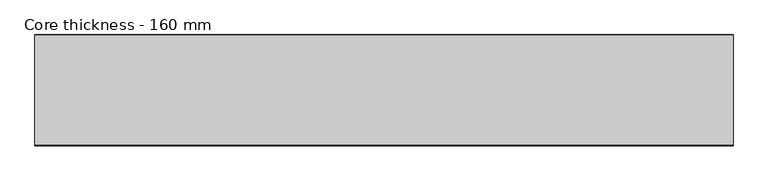
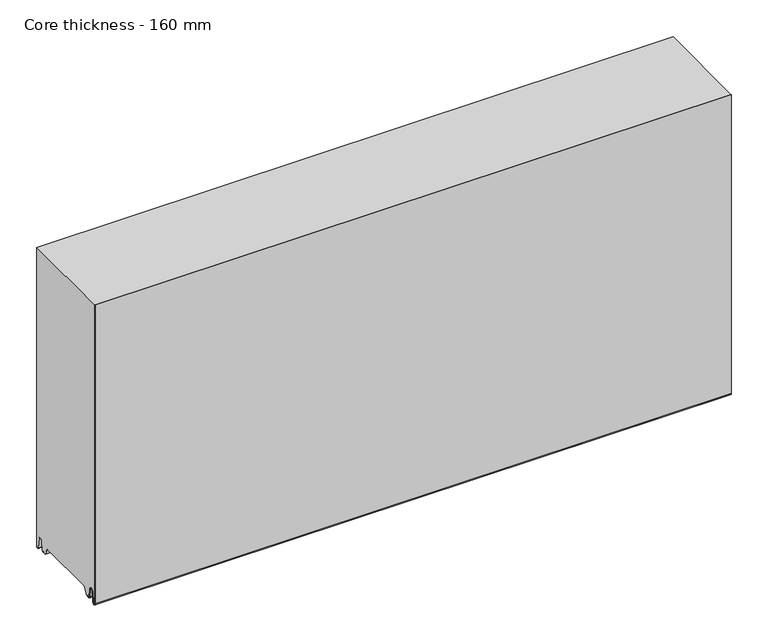
"""IFC4 building model written with IfcOpenShell, lengths in millimetres: plate geometry, Core thickness - 160 mm."""

from ifc_helpers import new_model, si_unit, frame, origin, place, context, project, spatial, polyline, circle_curve, source, transform, mapped, element, save
from ifc_brep_helpers import plane_surface, cylinder_surface, revolved_surface, advanced_brep


def core_thickness_160_mm_79ca9144(model_context):
    return source(origin(), model_context, "Body", "AdvancedBrep", [
        advanced_brep(
        [(500.0000002, -159.9996949, 3.0900682), (500.0000002, -153.81449, 2.7875612), (500.0000002, -152.197116, 19.2828169), (500.0000002, -149.1776715, 21.9898782), (500.0000002, -146.1582271, 19.2828169), (500.0000002, -144.7725998, 5.1510966), (500.0000002, -140.3830995, 5.365779), (500.0000002, -141.1830995, 5.365779), (500.0000002, -143.9764178, 5.2291629), (500.0000002, -145.3620451, 19.3608832), (500.0000002, -149.1776715, 22.7899182), (500.0000002, -152.9932979, 19.3608832), (500.0000002, -154.6106719, 2.8656275), (500.0000002, -159.1996949, 3.0900682), (500.0000002, -159.2, 500.0), (500.0000002, -159.9996949, 500.0), (-500.0000002, -159.1996949, 3.0900682), (-500.0000002, -154.6106719, 2.8656275), (-500.0000002, -152.9932979, 19.3608832), (-500.0000002, -149.1776715, 22.7899182), (-500.0000002, -145.3620451, 19.3608832), (-500.0000002, -143.9764178, 5.2291629), (-500.0000002, -141.1830995, 5.365779), (-500.0000002, -140.3830995, 5.365779), (-500.0000002, -144.7725998, 5.1510966), (-500.0000002, -146.1582271, 19.2828169), (-500.0000002, -149.1776715, 21.9898782), (-500.0000002, -152.197116, 19.2828169), (-500.0000002, -153.81449, 2.7875612), (-500.0000002, -159.9996949, 3.0900682), (-500.0000002, -159.9996949, 500.0), (-500.0000002, -159.2, 500.0)],
        [
            (0, 1, circle_curve(frame((500.0000002, -156.8996949, 3.0900682), z_axis=(1.0, 0.0, 0.0), x_axis=(0.0, 0.0, -1.0)), 3.1)),
            (1, 2),
            (2, 3, circle_curve(frame((500.0000002, -149.2114338, 18.9900682), z_axis=(-1.0, 0.0, 0.0), x_axis=(0.0, 0.0, -1.0)), 3.0)),
            (3, 4, circle_curve(frame((500.0000002, -149.1439093, 18.9900682), z_axis=(-1.0, 0.0, 0.0), x_axis=(0.0, 0.0, -1.0)), 3.0)),
            (4, 5),
            (5, 6, circle_curve(frame((500.0000002, -142.5830995, 5.365779), z_axis=(1.0, 0.0, 0.0), x_axis=(0.0, 0.0, -1.0)), 2.2)),
            (6, 7),
            (7, 8, circle_curve(frame((500.0000002, -142.5830995, 5.365779), z_axis=(-1.0, 0.0, 0.0), x_axis=(0.0, 0.0, -1.0)), 1.4)),
            (8, 9),
            (9, 10, circle_curve(frame((500.0000002, -149.1439093, 18.9900682), z_axis=(1.0, 0.0, 0.0), x_axis=(0.0, 0.0, -1.0)), 3.8)),
            (10, 11, circle_curve(frame((500.0000002, -149.2114338, 18.9900682), z_axis=(1.0, 0.0, 0.0), x_axis=(0.0, 0.0, -1.0)), 3.8)),
            (11, 12),
            (12, 13, circle_curve(frame((500.0000002, -156.8996949, 3.0900682), z_axis=(-1.0, 0.0, 0.0), x_axis=(0.0, 0.0, -1.0)), 2.3)),
            (13, 14),
            (14, 15),
            (15, 0),
            (16, 17, circle_curve(frame((-500.0000002, -156.8996949, 3.0900682), z_axis=(1.0, 0.0, 0.0), x_axis=(0.0, 0.0, -1.0)), 2.3)),
            (17, 18),
            (18, 19, circle_curve(frame((-500.0000002, -149.2114338, 18.9900682), z_axis=(-1.0, 0.0, 0.0), x_axis=(0.0, 0.0, -1.0)), 3.8)),
            (19, 20, circle_curve(frame((-500.0000002, -149.1439093, 18.9900682), z_axis=(-1.0, 0.0, 0.0), x_axis=(0.0, 0.0, -1.0)), 3.8)),
            (20, 21),
            (21, 22, circle_curve(frame((-500.0000002, -142.5830995, 5.365779), z_axis=(1.0, 0.0, 0.0), x_axis=(0.0, 0.0, -1.0)), 1.4)),
            (22, 23),
            (23, 24, circle_curve(frame((-500.0000002, -142.5830995, 5.365779), z_axis=(-1.0, 0.0, 0.0), x_axis=(0.0, 0.0, -1.0)), 2.2)),
            (24, 25),
            (25, 26, circle_curve(frame((-500.0000002, -149.1439093, 18.9900682), z_axis=(1.0, 0.0, 0.0), x_axis=(0.0, 0.0, -1.0)), 3.0)),
            (26, 27, circle_curve(frame((-500.0000002, -149.2114338, 18.9900682), z_axis=(1.0, 0.0, 0.0), x_axis=(0.0, 0.0, -1.0)), 3.0)),
            (27, 28),
            (28, 29, circle_curve(frame((-500.0000002, -156.8996949, 3.0900682), z_axis=(-1.0, 0.0, 0.0), x_axis=(0.0, 0.0, -1.0)), 3.1)),
            (29, 30),
            (30, 31),
            (31, 16),
            (13, 16),
            (31, 14),
            (12, 17),
            (11, 18),
            (10, 19),
            (9, 20),
            (8, 21),
            (7, 22),
            (6, 23),
            (5, 24),
            (4, 25),
            (3, 26),
            (2, 27),
            (1, 28),
            (0, 29),
            (15, 30),
        ],
        [
            plane_surface(frame((500.0000002, -160.0, 0.0), z_axis=(1.0, 0.0, 0.0), x_axis=(0.0, 1.0, 0.0))),
            plane_surface(frame((-500.0000002, -160.0, 0.0), z_axis=(-1.0, 0.0, 0.0), x_axis=(0.0, 1.0, 0.0))),
            plane_surface(frame((500.0000002, -159.2, 3.0900682), z_axis=(0.0, 1.0, 0.0), x_axis=(-1.0, 0.0, 0.0))),
            revolved_surface(polyline([(-500.0000002, -156.8996949, 0.7900682000000003), (500.0000002, -156.8996949, 0.7900682000000003)]), (500.0000002, -156.8996949, 3.0900682), (-1.0, 0.0, 0.0)),
            plane_surface(frame((500.0000002, -152.9932979, 19.3608832), z_axis=(0.0, -0.9952273999818314, 0.09758289975914787), x_axis=(-1.0, 0.0, 0.0))),
            cylinder_surface(frame((500.0000002, -149.2114338, 18.9900682), z_axis=(1.0, 0.0, 0.0), x_axis=(0.0, 0.0, -1.0)), 3.8),
            cylinder_surface(frame((500.0000002, -149.1439093, 18.9900682), z_axis=(1.0, 0.0, 0.0), x_axis=(0.0, 0.0, -1.0)), 3.8),
            plane_surface(frame((500.0000002, -143.9764178, 5.2291629), z_axis=(0.0, 0.9952273999818297, 0.09758289975916531), x_axis=(-1.0, 0.0, 0.0))),
            revolved_surface(polyline([(-500.0000002, -142.5830995, 3.965779), (500.0000002, -142.5830995, 3.965779)]), (500.0000002, -142.5830995, 5.365779), (-1.0, 0.0, 0.0)),
            plane_surface(frame((500.0000002, -140.3830995, 5.365779), z_axis=(0.0, 0.0, 1.0), x_axis=(-1.0, 0.0, 0.0))),
            cylinder_surface(frame((500.0000002, -142.5830995, 5.365779), z_axis=(1.0, 0.0, 0.0), x_axis=(0.0, 0.0, -1.0)), 2.2),
            plane_surface(frame((500.0000002, -146.1582271, 19.2828169), z_axis=(0.0, -0.9952273999818296, -0.09758289975916527), x_axis=(-1.0, 0.0, 0.0))),
            revolved_surface(polyline([(-500.0000002, -149.1439093, 15.9900682), (500.0000002, -149.1439093, 15.9900682)]), (500.0000002, -149.1439093, 18.9900682), (-1.0, 0.0, 0.0)),
            revolved_surface(polyline([(-500.0000002, -149.2114338, 15.9900682), (500.0000002, -149.2114338, 15.9900682)]), (500.0000002, -149.2114338, 18.9900682), (-1.0, 0.0, 0.0)),
            plane_surface(frame((500.0000002, -153.81449, 2.7875612), z_axis=(0.0, 0.9952273999818314, -0.09758289975914787), x_axis=(-1.0, 0.0, 0.0))),
            cylinder_surface(frame((500.0000002, -156.8996949, 3.0900682), z_axis=(1.0, 0.0, 0.0), x_axis=(0.0, 0.0, -1.0)), 3.1),
            plane_surface(frame((500.0000002, -159.9996949, 993.9000005), z_axis=(0.0, -1.0, 0.0), x_axis=(-1.0, 0.0, 0.0))),
            plane_surface(frame((-500.0000002, 134.0533409, 500.0), z_axis=(0.0, 0.0, 1.0), x_axis=(1.0, 0.0, 0.0))),
        ],
        [
            (0, [[1, 2, 3, 4, 5, 6, 7, 8, 9, 10, 11, 12, 13, 14, 15, 16]]),
            (1, [[17, 18, 19, 20, 21, 22, 23, 24, 25, 26, 27, 28, 29, 30, 31, 32]]),
            (2, [[33, -32, 34, -14]]),
            (3, [[-13, 35, -17, -33]]),
            (4, [[-12, 36, -18, -35]]),
            (5, [[-11, 37, -19, -36]]),
            (6, [[-10, 38, -20, -37]]),
            (7, [[-9, 39, -21, -38]]),
            (8, [[-8, 40, -22, -39]]),
            (9, [[-7, 41, -23, -40]]),
            (10, [[-6, 42, -24, -41]]),
            (11, [[-5, 43, -25, -42]]),
            (12, [[-4, 44, -26, -43]]),
            (13, [[-3, 45, -27, -44]]),
            (14, [[-2, 46, -28, -45]]),
            (15, [[-1, 47, -29, -46]]),
            (16, [[-47, -16, 48, -30]]),
            (17, [[-15, -34, -31, -48]]),
        ],
    ),
        advanced_brep(
        [(500.0000002, -129.873448, 15.1417681), (500.0000002, -30.126552, 15.1417681), (500.0000002, -23.4071318, 3.165779), (500.0000002, -17.4169005, 3.165779), (500.0000002, -19.6169005, 5.365779), (500.0000002, -18.8169005, 5.365779), (500.0000002, -16.0235822, 5.2291629), (500.0000002, -14.6379549, 19.3608832), (500.0000002, -10.8223285, 22.7899182), (500.0000002, -7.0067021, 19.3608832), (500.0000002, -5.3893281, 2.8656275), (500.0000002, -0.8003051, 3.0900682), (500.0000002, -0.8, 49.9459237), (500.0000002, -1.0986697, 50.9973395), (500.0000002, -1.5003051, 52.4177205), (500.0000002, -1.5003051, 102.5775037), (500.0000002, -1.0971009, 103.9969151), (500.0000002, -0.8, 105.0493005), (500.0000002, -0.8, 155.2090837), (500.0000002, -1.0986697, 156.2604995), (500.0000002, -1.5003051, 157.6808805), (500.0000002, -1.5003051, 207.8406637), (500.0000002, -1.0971009, 209.2600751), (500.0000002, -0.8, 210.3124605), (500.0000002, -0.8, 260.4722437), (500.0000002, -1.0986697, 261.5236595), (500.0000002, -1.5003051, 262.9440405), (500.0000002, -1.5003051, 313.1038237), (500.0000002, -1.0971009, 314.5232351), (500.0000002, -0.8, 315.5756205), (500.0000002, -0.8, 365.7354037), (500.0000002, -1.0986697, 366.7868195), (500.0000002, -1.5003051, 368.2072005), (500.0000002, -1.5003051, 418.3669837), (500.0000002, -1.0971009, 419.7863951), (500.0000002, -0.8, 420.8387805), (500.0000002, -0.8, 470.9985637), (500.0000002, -1.0986697, 472.0499795), (500.0000002, -1.5003051, 473.4703605), (500.0000002, -1.5003051, 500.0), (500.0000002, -159.2, 500.0), (500.0000002, -159.2, 3.0900682), (500.0000002, -154.6106719, 2.8656275), (500.0000002, -152.9932979, 19.3608832), (500.0000002, -149.1776715, 22.7899182), (500.0000002, -145.3620451, 19.3608832), (500.0000002, -143.9764178, 5.2291629), (500.0000002, -141.1830995, 5.365779), (500.0000002, -140.3830995, 5.365779), (500.0000002, -142.5830995, 3.165779), (500.0000002, -136.5928682, 3.165779), (-500.0000002, -30.126552, 15.1417681), (-500.0000002, -129.873448, 15.1417681), (-500.0000002, -136.5928682, 3.165779), (-500.0000002, -142.5830995, 3.165779), (-500.0000002, -140.3830995, 5.365779), (-500.0000002, -141.1830995, 5.365779), (-500.0000002, -143.9764178, 5.2291629), (-500.0000002, -145.3620451, 19.3608832), (-500.0000002, -149.1776715, 22.7899182), (-500.0000002, -152.9932979, 19.3608832), (-500.0000002, -154.6106719, 2.8656275), (-500.0000002, -159.1996949, 3.0900682), (-500.0000002, -159.2, 500.0), (-500.0000002, -1.5003051, 500.0), (-500.0000002, -1.5003051, 473.4703605), (-500.0000002, -1.0971009, 472.0509491), (-500.0000002, -0.8, 470.9985637), (-500.0000002, -0.8, 420.8387805), (-500.0000002, -1.0986697, 419.7873646), (-500.0000002, -1.5003051, 418.3669837), (-500.0000002, -1.5003051, 368.2072005), (-500.0000002, -1.0971009, 366.7877891), (-500.0000002, -0.8, 365.7354037), (-500.0000002, -0.8, 315.5756205), (-500.0000002, -1.0986697, 314.5242046), (-500.0000002, -1.5003051, 313.1038237), (-500.0000002, -1.5003051, 262.9440405), (-500.0000002, -1.0971009, 261.5246291), (-500.0000002, -0.8, 260.4722437), (-500.0000002, -0.8, 210.3124605), (-500.0000002, -1.0986697, 209.2610446), (-500.0000002, -1.5003051, 207.8406637), (-500.0000002, -1.5003051, 157.6808805), (-500.0000002, -1.0971009, 156.2614691), (-500.0000002, -0.8, 155.2090837), (-500.0000002, -0.8, 105.0493005), (-500.0000002, -1.0986697, 103.9978846), (-500.0000002, -1.5003051, 102.5775037), (-500.0000002, -1.5003051, 52.4177205), (-500.0000002, -1.0971009, 50.9983091), (-500.0000002, -0.8, 49.9459237), (-500.0000002, -0.8, 3.0900682), (-500.0000002, -5.3893281, 2.8656275), (-500.0000002, -7.0067021, 19.3608832), (-500.0000002, -10.8223285, 22.7899182), (-500.0000002, -14.6379549, 19.3608832), (-500.0000002, -16.0235822, 5.2291629), (-500.0000002, -18.8169005, 5.365779), (-500.0000002, -19.6169005, 5.365779), (-500.0000002, -17.4169005, 3.165779), (-500.0000002, -23.4071318, 3.165779)],
        [
            (0, 1),
            (1, 2),
            (2, 3),
            (3, 4, circle_curve(frame((500.0000002, -17.4169005, 5.365779), z_axis=(-1.0, 0.0, 0.0), x_axis=(0.0, 0.0, -1.0)), 2.2)),
            (4, 5),
            (5, 6, circle_curve(frame((500.0000002, -17.4169005, 5.365779), z_axis=(1.0, 0.0, 0.0), x_axis=(0.0, 0.0, -1.0)), 1.4)),
            (6, 7),
            (7, 8, circle_curve(frame((500.0000002, -10.8560907, 18.9900682), z_axis=(-1.0, 0.0, 0.0), x_axis=(0.0, 0.0, -1.0)), 3.8)),
            (8, 9, circle_curve(frame((500.0000002, -10.7885662, 18.9900682), z_axis=(-1.0, 0.0, 0.0), x_axis=(0.0, 0.0, -1.0)), 3.8)),
            (9, 10),
            (10, 11, circle_curve(frame((500.0000002, -3.1003051, 3.0900682), z_axis=(1.0, 0.0, 0.0), x_axis=(0.0, 0.0, -1.0)), 2.3)),
            (11, 12),
            (12, 13, circle_curve(frame((500.0000002, -2.8, 49.9459237), z_axis=(1.0, 0.0, 0.0), x_axis=(0.0, 0.0, -1.0)), 2.0)),
            (13, 14, circle_curve(frame((500.0000002, 1.1996949, 52.4177205), z_axis=(-1.0, 0.0, 0.0), x_axis=(0.0, 0.0, -1.0)), 2.7)),
            (14, 15),
            (15, 16, circle_curve(frame((500.0000002, 1.1996949, 102.5775037), z_axis=(-1.0, 0.0, 0.0), x_axis=(0.0, 0.0, -1.0)), 2.7)),
            (16, 17, circle_curve(frame((500.0000002, -2.8, 105.0493005), z_axis=(1.0, 0.0, 0.0), x_axis=(0.0, 0.0, -1.0)), 2.0)),
            (17, 18),
            (18, 19, circle_curve(frame((500.0000002, -2.8, 155.2090837), z_axis=(1.0, 0.0, 0.0), x_axis=(0.0, 0.0, -1.0)), 2.0)),
            (19, 20, circle_curve(frame((500.0000002, 1.1996949, 157.6808805), z_axis=(-1.0, 0.0, 0.0), x_axis=(0.0, 0.0, -1.0)), 2.7)),
            (20, 21),
            (21, 22, circle_curve(frame((500.0000002, 1.1996949, 207.8406637), z_axis=(-1.0, 0.0, 0.0), x_axis=(0.0, 0.0, -1.0)), 2.7)),
            (22, 23, circle_curve(frame((500.0000002, -2.8, 210.3124605), z_axis=(1.0, 0.0, 0.0), x_axis=(0.0, 0.0, -1.0)), 2.0)),
            (23, 24),
            (24, 25, circle_curve(frame((500.0000002, -2.8, 260.4722437), z_axis=(1.0, 0.0, 0.0), x_axis=(0.0, 0.0, -1.0)), 2.0)),
            (25, 26, circle_curve(frame((500.0000002, 1.1996949, 262.9440405), z_axis=(-1.0, 0.0, 0.0), x_axis=(0.0, 0.0, -1.0)), 2.7)),
            (26, 27),
            (27, 28, circle_curve(frame((500.0000002, 1.1996949, 313.1038237), z_axis=(-1.0, 0.0, 0.0), x_axis=(0.0, 0.0, -1.0)), 2.7)),
            (28, 29, circle_curve(frame((500.0000002, -2.8, 315.5756205), z_axis=(1.0, 0.0, 0.0), x_axis=(0.0, 0.0, -1.0)), 2.0)),
            (29, 30),
            (30, 31, circle_curve(frame((500.0000002, -2.8, 365.7354037), z_axis=(1.0, 0.0, 0.0), x_axis=(0.0, 0.0, -1.0)), 2.0)),
            (31, 32, circle_curve(frame((500.0000002, 1.1996949, 368.2072005), z_axis=(-1.0, 0.0, 0.0), x_axis=(0.0, 0.0, -1.0)), 2.7)),
            (32, 33),
            (33, 34, circle_curve(frame((500.0000002, 1.1996949, 418.3669837), z_axis=(-1.0, 0.0, 0.0), x_axis=(0.0, 0.0, -1.0)), 2.7)),
            (34, 35, circle_curve(frame((500.0000002, -2.8, 420.8387805), z_axis=(1.0, 0.0, 0.0), x_axis=(0.0, 0.0, -1.0)), 2.0)),
            (35, 36),
            (36, 37, circle_curve(frame((500.0000002, -2.8, 470.9985637), z_axis=(1.0, 0.0, 0.0), x_axis=(0.0, 0.0, -1.0)), 2.0)),
            (37, 38, circle_curve(frame((500.0000002, 1.1996949, 473.4703605), z_axis=(-1.0, 0.0, 0.0), x_axis=(0.0, 0.0, -1.0)), 2.7)),
            (38, 39),
            (39, 40),
            (40, 41),
            (41, 42, circle_curve(frame((500.0000002, -156.8996949, 3.0900682), z_axis=(1.0, 0.0, 0.0), x_axis=(0.0, 0.0, -1.0)), 2.3)),
            (42, 43),
            (43, 44, circle_curve(frame((500.0000002, -149.2114338, 18.9900682), z_axis=(-1.0, 0.0, 0.0), x_axis=(0.0, 0.0, -1.0)), 3.8)),
            (44, 45, circle_curve(frame((500.0000002, -149.1439093, 18.9900682), z_axis=(-1.0, 0.0, 0.0), x_axis=(0.0, 0.0, -1.0)), 3.8)),
            (45, 46),
            (46, 47, circle_curve(frame((500.0000002, -142.5830995, 5.365779), z_axis=(1.0, 0.0, 0.0), x_axis=(0.0, 0.0, -1.0)), 1.4)),
            (47, 48),
            (48, 49, circle_curve(frame((500.0000002, -142.5830995, 5.365779), z_axis=(-1.0, 0.0, 0.0), x_axis=(0.0, 0.0, -1.0)), 2.2)),
            (49, 50),
            (50, 0),
            (51, 52),
            (52, 53),
            (53, 54),
            (54, 55, circle_curve(frame((-500.0000002, -142.5830995, 5.365779), z_axis=(1.0, 0.0, 0.0), x_axis=(0.0, 0.0, -1.0)), 2.2)),
            (55, 56),
            (56, 57, circle_curve(frame((-500.0000002, -142.5830995, 5.365779), z_axis=(-1.0, 0.0, 0.0), x_axis=(0.0, 0.0, -1.0)), 1.4)),
            (57, 58),
            (58, 59, circle_curve(frame((-500.0000002, -149.1439093, 18.9900682), z_axis=(1.0, 0.0, 0.0), x_axis=(0.0, 0.0, -1.0)), 3.8)),
            (59, 60, circle_curve(frame((-500.0000002, -149.2114338, 18.9900682), z_axis=(1.0, 0.0, 0.0), x_axis=(0.0, 0.0, -1.0)), 3.8)),
            (60, 61),
            (61, 62, circle_curve(frame((-500.0000002, -156.8996949, 3.0900682), z_axis=(-1.0, 0.0, 0.0), x_axis=(0.0, 0.0, -1.0)), 2.3)),
            (62, 63),
            (63, 64),
            (64, 65),
            (65, 66, circle_curve(frame((-500.0000002, 1.1996949, 473.4703605), z_axis=(1.0, 0.0, 0.0), x_axis=(0.0, 0.0, -1.0)), 2.7)),
            (66, 67, circle_curve(frame((-500.0000002, -2.8, 470.9985637), z_axis=(-1.0, 0.0, 0.0), x_axis=(0.0, 0.0, -1.0)), 2.0)),
            (67, 68),
            (68, 69, circle_curve(frame((-500.0000002, -2.8, 420.8387805), z_axis=(-1.0, 0.0, 0.0), x_axis=(0.0, 0.0, -1.0)), 2.0)),
            (69, 70, circle_curve(frame((-500.0000002, 1.1996949, 418.3669837), z_axis=(1.0, 0.0, 0.0), x_axis=(0.0, 0.0, -1.0)), 2.7)),
            (70, 71),
            (71, 72, circle_curve(frame((-500.0000002, 1.1996949, 368.2072005), z_axis=(1.0, 0.0, 0.0), x_axis=(0.0, 0.0, -1.0)), 2.7)),
            (72, 73, circle_curve(frame((-500.0000002, -2.8, 365.7354037), z_axis=(-1.0, 0.0, 0.0), x_axis=(0.0, 0.0, -1.0)), 2.0)),
            (73, 74),
            (74, 75, circle_curve(frame((-500.0000002, -2.8, 315.5756205), z_axis=(-1.0, 0.0, 0.0), x_axis=(0.0, 0.0, -1.0)), 2.0)),
            (75, 76, circle_curve(frame((-500.0000002, 1.1996949, 313.1038237), z_axis=(1.0, 0.0, 0.0), x_axis=(0.0, 0.0, -1.0)), 2.7)),
            (76, 77),
            (77, 78, circle_curve(frame((-500.0000002, 1.1996949, 262.9440405), z_axis=(1.0, 0.0, 0.0), x_axis=(0.0, 0.0, -1.0)), 2.7)),
            (78, 79, circle_curve(frame((-500.0000002, -2.8, 260.4722437), z_axis=(-1.0, 0.0, 0.0), x_axis=(0.0, 0.0, -1.0)), 2.0)),
            (79, 80),
            (80, 81, circle_curve(frame((-500.0000002, -2.8, 210.3124605), z_axis=(-1.0, 0.0, 0.0), x_axis=(0.0, 0.0, -1.0)), 2.0)),
            (81, 82, circle_curve(frame((-500.0000002, 1.1996949, 207.8406637), z_axis=(1.0, 0.0, 0.0), x_axis=(0.0, 0.0, -1.0)), 2.7)),
            (82, 83),
            (83, 84, circle_curve(frame((-500.0000002, 1.1996949, 157.6808805), z_axis=(1.0, 0.0, 0.0), x_axis=(0.0, 0.0, -1.0)), 2.7)),
            (84, 85, circle_curve(frame((-500.0000002, -2.8, 155.2090837), z_axis=(-1.0, 0.0, 0.0), x_axis=(0.0, 0.0, -1.0)), 2.0)),
            (85, 86),
            (86, 87, circle_curve(frame((-500.0000002, -2.8, 105.0493005), z_axis=(-1.0, 0.0, 0.0), x_axis=(0.0, 0.0, -1.0)), 2.0)),
            (87, 88, circle_curve(frame((-500.0000002, 1.1996949, 102.5775037), z_axis=(1.0, 0.0, 0.0), x_axis=(0.0, 0.0, -1.0)), 2.7)),
            (88, 89),
            (89, 90, circle_curve(frame((-500.0000002, 1.1996949, 52.4177205), z_axis=(1.0, 0.0, 0.0), x_axis=(0.0, 0.0, -1.0)), 2.7)),
            (90, 91, circle_curve(frame((-500.0000002, -2.8, 49.9459237), z_axis=(-1.0, 0.0, 0.0), x_axis=(0.0, 0.0, -1.0)), 2.0)),
            (91, 92),
            (92, 93, circle_curve(frame((-500.0000002, -3.1003051, 3.0900682), z_axis=(-1.0, 0.0, 0.0), x_axis=(0.0, 0.0, -1.0)), 2.3)),
            (93, 94),
            (94, 95, circle_curve(frame((-500.0000002, -10.7885662, 18.9900682), z_axis=(1.0, 0.0, 0.0), x_axis=(0.0, 0.0, -1.0)), 3.8)),
            (95, 96, circle_curve(frame((-500.0000002, -10.8560907, 18.9900682), z_axis=(1.0, 0.0, 0.0), x_axis=(0.0, 0.0, -1.0)), 3.8)),
            (96, 97),
            (97, 98, circle_curve(frame((-500.0000002, -17.4169005, 5.365779), z_axis=(-1.0, 0.0, 0.0), x_axis=(0.0, 0.0, -1.0)), 1.4)),
            (98, 99),
            (99, 100, circle_curve(frame((-500.0000002, -17.4169005, 5.365779), z_axis=(1.0, 0.0, 0.0), x_axis=(0.0, 0.0, -1.0)), 2.2)),
            (100, 101),
            (101, 51),
            (1, 51),
            (101, 2),
            (0, 52),
            (50, 53),
            (99, 4),
            (3, 100),
            (98, 5),
            (97, 6),
            (96, 7),
            (95, 8),
            (94, 9),
            (93, 10),
            (92, 11),
            (91, 12),
            (90, 13),
            (89, 14),
            (88, 15),
            (87, 16),
            (86, 17),
            (85, 18),
            (84, 19),
            (83, 20),
            (82, 21),
            (81, 22),
            (80, 23),
            (79, 24),
            (78, 25),
            (77, 26),
            (76, 27),
            (75, 28),
            (74, 29),
            (73, 30),
            (72, 31),
            (71, 32),
            (70, 33),
            (69, 34),
            (68, 35),
            (67, 36),
            (66, 37),
            (65, 38),
            (64, 39),
            (62, 41),
            (40, 63),
            (61, 42),
            (60, 43),
            (59, 44),
            (58, 45),
            (57, 46),
            (56, 47),
            (55, 48),
            (54, 49),
        ],
        [
            plane_surface(frame((500.0000002, 0.0, 0.0), z_axis=(1.0, 0.0, 0.0), x_axis=(0.0, -1.0, 0.0))),
            plane_surface(frame((-500.0000002, 0.0, 0.0), z_axis=(-1.0, 0.0, 0.0), x_axis=(0.0, -1.0, 0.0))),
            plane_surface(frame((500.0000002, -30.126552, 15.1417681), z_axis=(0.0, -0.8721062992196836, -0.4893164649399687), x_axis=(-1.0, 0.0, 0.0))),
            plane_surface(frame((500.0000002, -129.873448, 15.1417681), z_axis=(0.0, 0.0, -1.0), x_axis=(-1.0, 0.0, 0.0))),
            plane_surface(frame((500.0000002, -136.8190247, 2.7627014), z_axis=(0.0, 0.8721062992196852, -0.48931646493996606), x_axis=(-1.0, 0.0, 0.0))),
            revolved_surface(polyline([(500.0000002, -17.4169005, 3.1657789999999997), (-500.00000020000004, -17.4169005, 3.1657789999999997)]), (630.0000002, -17.4169005, 5.365779), (1.0, 0.0, 0.0)),
            plane_surface(frame((630.0000002, -18.8169005, 5.365779), z_axis=(0.0, 0.0, -1.0), x_axis=(-1.0, 0.0, 0.0))),
            cylinder_surface(frame((630.0000002, -17.4169005, 5.365779), z_axis=(-1.0, 0.0, 0.0), x_axis=(0.0, 0.0, -1.0)), 1.4),
            plane_surface(frame((630.0000002, -14.6379549, 19.3608832), z_axis=(0.0, 0.9952273999818297, -0.09758289975916531), x_axis=(-1.0, 0.0, 0.0))),
            revolved_surface(polyline([(500.0000002, -10.8560907, 15.190068199999999), (-500.00000020000004, -10.8560907, 15.190068199999999)]), (630.0000002, -10.8560907, 18.9900682), (1.0, 0.0, 0.0)),
            revolved_surface(polyline([(500.0000002, -10.7885662, 15.190068199999999), (-500.00000020000004, -10.7885662, 15.190068199999999)]), (630.0000002, -10.7885662, 18.9900682), (1.0, 0.0, 0.0)),
            plane_surface(frame((630.0000002, -5.3893281, 2.8656275), z_axis=(0.0, -0.9952273999818314, -0.09758289975914787), x_axis=(-1.0, 0.0, 0.0))),
            cylinder_surface(frame((630.0000002, -3.1003051, 3.0900682), z_axis=(-1.0, 0.0, 0.0), x_axis=(0.0, 0.0, -1.0)), 2.3),
            plane_surface(frame((630.0000002, -0.8, 49.9459237), z_axis=(0.0, 1.0, 0.0), x_axis=(-1.0, 0.0, 0.0))),
            cylinder_surface(frame((630.0000002, -2.8, 49.9459237), z_axis=(-1.0, 0.0, 0.0), x_axis=(0.0, 0.0, -1.0)), 2.0),
            revolved_surface(polyline([(500.0000002, 1.1996949, 49.7177205), (-500.00000020000004, 1.1996949, 49.7177205)]), (630.0000002, 1.1996949, 52.4177205), (1.0, 0.0, 0.0)),
            plane_surface(frame((630.0000002, -1.5003051, 102.5775037), z_axis=(0.0, 1.0, 0.0), x_axis=(-1.0, 0.0, 0.0))),
            revolved_surface(polyline([(500.0000002, 1.1996949, 99.87750369999999), (-500.00000020000004, 1.1996949, 99.87750369999999)]), (630.0000002, 1.1996949, 102.5775037), (1.0, 0.0, 0.0)),
            cylinder_surface(frame((630.0000002, -2.8, 105.0493005), z_axis=(-1.0, 0.0, 0.0), x_axis=(0.0, 0.0, -1.0)), 2.0),
            plane_surface(frame((630.0000002, -0.8, 155.2090837), z_axis=(0.0, 1.0, 0.0), x_axis=(-1.0, 0.0, 0.0))),
            cylinder_surface(frame((630.0000002, -2.8, 155.2090837), z_axis=(-1.0, 0.0, 0.0), x_axis=(0.0, 0.0, -1.0)), 2.0),
            revolved_surface(polyline([(500.0000002, 1.1996949, 154.9808805), (-500.00000020000004, 1.1996949, 154.9808805)]), (630.0000002, 1.1996949, 157.6808805), (1.0, 0.0, 0.0)),
            plane_surface(frame((630.0000002, -1.5003051, 207.8406637), z_axis=(0.0, 1.0, 0.0), x_axis=(-1.0, 0.0, 0.0))),
            revolved_surface(polyline([(500.0000002, 1.1996949, 205.1406637), (-500.00000020000004, 1.1996949, 205.1406637)]), (630.0000002, 1.1996949, 207.8406637), (1.0, 0.0, 0.0)),
            cylinder_surface(frame((630.0000002, -2.8, 210.3124605), z_axis=(-1.0, 0.0, 0.0), x_axis=(0.0, 0.0, -1.0)), 2.0),
            plane_surface(frame((630.0000002, -0.8, 260.4722437), z_axis=(0.0, 1.0, 0.0), x_axis=(-1.0, 0.0, 0.0))),
            cylinder_surface(frame((630.0000002, -2.8, 260.4722437), z_axis=(-1.0, 0.0, 0.0), x_axis=(0.0, 0.0, -1.0)), 2.0),
            revolved_surface(polyline([(500.0000002, 1.1996949, 260.24404050000004), (-500.00000020000004, 1.1996949, 260.24404050000004)]), (630.0000002, 1.1996949, 262.9440405), (1.0, 0.0, 0.0)),
            plane_surface(frame((630.0000002, -1.5003051, 313.1038237), z_axis=(0.0, 1.0, 0.0), x_axis=(-1.0, 0.0, 0.0))),
            revolved_surface(polyline([(500.0000002, 1.1996949, 310.40382370000003), (-500.00000020000004, 1.1996949, 310.40382370000003)]), (630.0000002, 1.1996949, 313.1038237), (1.0, 0.0, 0.0)),
            cylinder_surface(frame((630.0000002, -2.8, 315.5756205), z_axis=(-1.0, 0.0, 0.0), x_axis=(0.0, 0.0, -1.0)), 2.0),
            plane_surface(frame((630.0000002, -0.8, 365.7354037), z_axis=(0.0, 1.0, 0.0), x_axis=(-1.0, 0.0, 0.0))),
            cylinder_surface(frame((630.0000002, -2.8, 365.7354037), z_axis=(-1.0, 0.0, 0.0), x_axis=(0.0, 0.0, -1.0)), 2.0),
            revolved_surface(polyline([(500.0000002, 1.1996949, 365.5072005), (-500.00000020000004, 1.1996949, 365.5072005)]), (630.0000002, 1.1996949, 368.2072005), (1.0, 0.0, 0.0)),
            plane_surface(frame((630.0000002, -1.5003051, 418.3669837), z_axis=(0.0, 1.0, 0.0), x_axis=(-1.0, 0.0, 0.0))),
            revolved_surface(polyline([(500.0000002, 1.1996949, 415.6669837), (-500.00000020000004, 1.1996949, 415.6669837)]), (630.0000002, 1.1996949, 418.3669837), (1.0, 0.0, 0.0)),
            cylinder_surface(frame((630.0000002, -2.8, 420.8387805), z_axis=(-1.0, 0.0, 0.0), x_axis=(0.0, 0.0, -1.0)), 2.0),
            plane_surface(frame((630.0000002, -0.8, 470.9985637), z_axis=(0.0, 1.0, 0.0), x_axis=(-1.0, 0.0, 0.0))),
            cylinder_surface(frame((630.0000002, -2.8, 470.9985637), z_axis=(-1.0, 0.0, 0.0), x_axis=(0.0, 0.0, -1.0)), 2.0),
            revolved_surface(polyline([(500.0000002, 1.1996949, 470.77036050000004), (-500.00000020000004, 1.1996949, 470.77036050000004)]), (630.0000002, 1.1996949, 473.4703605), (1.0, 0.0, 0.0)),
            plane_surface(frame((630.0000002, -1.5003051, 523.6301437), z_axis=(0.0, 1.0, 0.0), x_axis=(-1.0, 0.0, 0.0))),
            plane_surface(frame((630.0000002, -159.2, 3.0900682), z_axis=(0.0, -1.0, 0.0), x_axis=(-1.0, 0.0, 0.0))),
            cylinder_surface(frame((630.0000002, -156.8996949, 3.0900682), z_axis=(-1.0, 0.0, 0.0), x_axis=(0.0, 0.0, -1.0)), 2.3),
            plane_surface(frame((630.0000002, -152.9932979, 19.3608832), z_axis=(0.0, 0.9952273999818314, -0.09758289975914787), x_axis=(-1.0, 0.0, 0.0))),
            revolved_surface(polyline([(500.0000002, -149.2114338, 15.190068199999999), (-500.00000020000004, -149.2114338, 15.190068199999999)]), (630.0000002, -149.2114338, 18.9900682), (1.0, 0.0, 0.0)),
            revolved_surface(polyline([(500.0000002, -149.1439093, 15.190068199999999), (-500.00000020000004, -149.1439093, 15.190068199999999)]), (630.0000002, -149.1439093, 18.9900682), (1.0, 0.0, 0.0)),
            plane_surface(frame((630.0000002, -143.9764178, 5.2291629), z_axis=(0.0, -0.9952273999818297, -0.09758289975916531), x_axis=(-1.0, 0.0, 0.0))),
            cylinder_surface(frame((630.0000002, -142.5830995, 5.365779), z_axis=(-1.0, 0.0, 0.0), x_axis=(0.0, 0.0, -1.0)), 1.4),
            plane_surface(frame((630.0000002, -140.3830995, 5.365779), z_axis=(0.0, 0.0, -1.0), x_axis=(-1.0, 0.0, 0.0))),
            revolved_surface(polyline([(500.0000002, -142.5830995, 3.1657789999999997), (-500.00000020000004, -142.5830995, 3.1657789999999997)]), (630.0000002, -142.5830995, 5.365779), (1.0, 0.0, 0.0)),
            plane_surface(frame((-500.0000002, -142.5830995, 3.165779), z_axis=(0.0, 0.0, -1.0), x_axis=(1.0, 0.0, 0.0))),
            plane_surface(frame((-500.0000002, 134.0533409, 500.0), z_axis=(0.0, 0.0, 1.0), x_axis=(1.0, 0.0, 0.0))),
        ],
        [
            (0, [[1, 2, 3, 4, 5, 6, 7, 8, 9, 10, 11, 12, 13, 14, 15, 16, 17, 18, 19, 20, 21, 22, 23, 24, 25, 26, 27, 28, 29, 30, 31, 32, 33, 34, 35, 36, 37, 38, 39, 40, 41, 42, 43, 44, 45, 46, 47, 48, 49, 50, 51]]),
            (1, [[52, 53, 54, 55, 56, 57, 58, 59, 60, 61, 62, 63, 64, 65, 66, 67, 68, 69, 70, 71, 72, 73, 74, 75, 76, 77, 78, 79, 80, 81, 82, 83, 84, 85, 86, 87, 88, 89, 90, 91, 92, 93, 94, 95, 96, 97, 98, 99, 100, 101, 102]]),
            (2, [[103, -102, 104, -2]]),
            (3, [[-1, 105, -52, -103]]),
            (4, [[-105, -51, 106, -53]]),
            (5, [[107, -4, 108, -100]]),
            (6, [[-107, -99, 109, -5]]),
            (7, [[-109, -98, 110, -6]]),
            (8, [[-110, -97, 111, -7]]),
            (9, [[-111, -96, 112, -8]]),
            (10, [[-112, -95, 113, -9]]),
            (11, [[-113, -94, 114, -10]]),
            (12, [[-114, -93, 115, -11]]),
            (13, [[-115, -92, 116, -12]]),
            (14, [[-116, -91, 117, -13]]),
            (15, [[-117, -90, 118, -14]]),
            (16, [[-118, -89, 119, -15]]),
            (17, [[-119, -88, 120, -16]]),
            (18, [[-120, -87, 121, -17]]),
            (19, [[-121, -86, 122, -18]]),
            (20, [[-122, -85, 123, -19]]),
            (21, [[-123, -84, 124, -20]]),
            (22, [[-124, -83, 125, -21]]),
            (23, [[-125, -82, 126, -22]]),
            (24, [[-126, -81, 127, -23]]),
            (25, [[-127, -80, 128, -24]]),
            (26, [[-128, -79, 129, -25]]),
            (27, [[-129, -78, 130, -26]]),
            (28, [[-130, -77, 131, -27]]),
            (29, [[-131, -76, 132, -28]]),
            (30, [[-132, -75, 133, -29]]),
            (31, [[-133, -74, 134, -30]]),
            (32, [[-134, -73, 135, -31]]),
            (33, [[-135, -72, 136, -32]]),
            (34, [[-136, -71, 137, -33]]),
            (35, [[-137, -70, 138, -34]]),
            (36, [[-138, -69, 139, -35]]),
            (37, [[-139, -68, 140, -36]]),
            (38, [[-140, -67, 141, -37]]),
            (39, [[-141, -66, 142, -38]]),
            (40, [[-142, -65, 143, -39]]),
            (41, [[144, -41, 145, -63]]),
            (42, [[-144, -62, 146, -42]]),
            (43, [[-146, -61, 147, -43]]),
            (44, [[-147, -60, 148, -44]]),
            (45, [[-148, -59, 149, -45]]),
            (46, [[-149, -58, 150, -46]]),
            (47, [[-150, -57, 151, -47]]),
            (48, [[-151, -56, 152, -48]]),
            (49, [[-152, -55, 153, -49]]),
            (50, [[-3, -104, -101, -108]]),
            (50, [[-50, -153, -54, -106]]),
            (51, [[-143, -64, -145, -40]]),
        ],
    ),
    ])


if __name__ == "__main__":
    model = new_model("IFC4")
    model_context = context("Model", 3, world=origin())
    ifc_project = project(units=[si_unit("LENGTHUNIT", "METRE", prefix="MILLI")], contexts=[model_context])
    site = spatial("IfcSite", under=ifc_project)
    building = spatial("IfcBuilding", under=site)
    placement = place(None, origin())
    core_thickness_160_mm_shape = core_thickness_160_mm_79ca9144(model_context)
    element("IfcPlate", 1, ObjectType="Core thickness - 160 mm", at=placement, inside=building, context=model_context, shape_type="MappedRepresentation", body=[
        mapped(core_thickness_160_mm_shape, transform((0.0, 0.0, 0.0), x_axis=(1.0, 0.0, 0.0), y_axis=(0.0, 1.0, 0.0), z_axis=(0.0, 0.0, 1.0))),
    ])
    save(model, "model.ifc")
